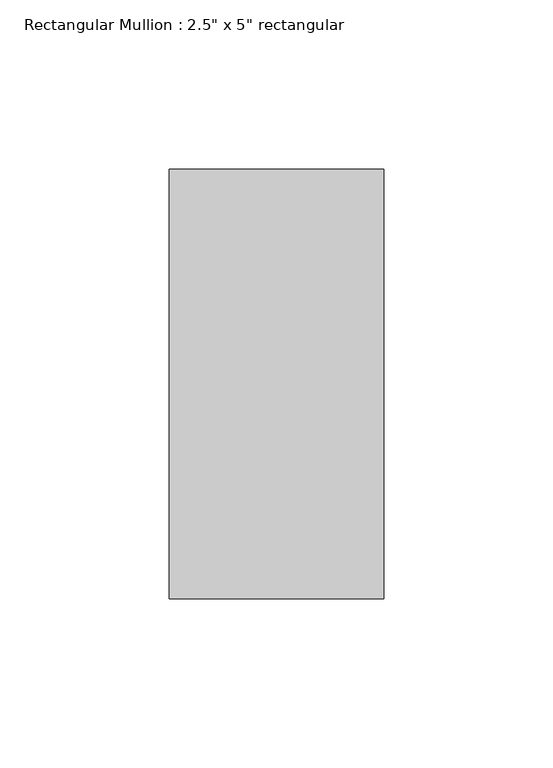
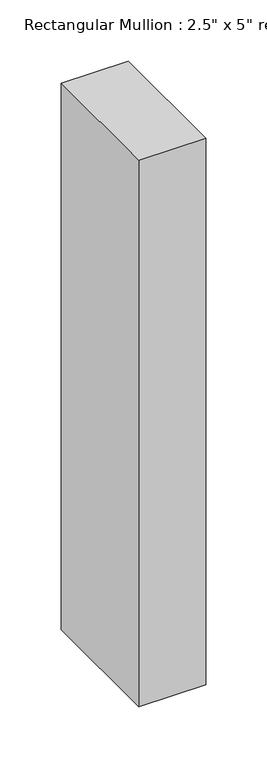
"""IFC4 building model written with IfcOpenShell, lengths in millimetres: member geometry."""

import ifcopenshell
import ifcopenshell.guid

model = None  # the IFC model being written
_history = None  # IfcOwnerHistory: only IFC2X3 demands one
_inside = {}  # id of a spatial element -> (the spatial element, [elements in it])
_under = {}  # id of a project, library or spatial element -> (it, [spatial elements below it])
_declared = {}  # id of a project -> (the project, [libraries it declares])
_typed = {}  # id of a type object -> (the type object, [elements of that type])
_made_of = {}  # id of a material, layer set ... -> (it, [elements and type objects made of it])


def new_model(schema):
    """Start an empty IFC model of exactly this schema.

    Asked for "IFC4X3", IfcOpenShell would pick the latest addendum, in which some entities
    have other attributes; the version numbers below select the first issue.
    IFC2X3 requires an IfcOwnerHistory on every rooted entity: one is made here for all.
    """
    global model, _history
    if schema == "IFC4X3":
        model = ifcopenshell.file(schema_version=(4, 3, 0, 0))
    else:
        model = ifcopenshell.file(schema=schema)
    _inside.clear()
    _under.clear()
    _declared.clear()
    _typed.clear()
    _made_of.clear()
    _history = None
    if model.schema == "IFC2X3":
        org = make("IfcOrganization", Name="unknown")
        user = make(
            "IfcPersonAndOrganization",
            ThePerson=make("IfcPerson", FamilyName="unknown"),
            TheOrganization=org,
        )
        app = make(
            "IfcApplication",
            ApplicationDeveloper=org,
            Version="unknown",
            ApplicationFullName="unknown",
            ApplicationIdentifier="unknown",
        )
        _history = make(
            "IfcOwnerHistory",
            OwningUser=user,
            OwningApplication=app,
            ChangeAction="ADDED",
            CreationDate=0,
        )
    return model


def make(cls, **values):
    """One entity of the class cls with the attributes given. An attribute that is None is left unset."""
    return model.create_entity(
        cls, **{name: value for name, value in values.items() if value is not None}
    )


def rooted(cls, **values):
    """An entity with a GlobalId (a new one), such as an element, a storey or a relation."""
    return make(cls, GlobalId=ifcopenshell.guid.new(), OwnerHistory=_history, **values)


def si_unit(unit_type, name, prefix=None):
    """IfcSIUnit, for example si_unit("LENGTHUNIT", "METRE", prefix="MILLI")."""
    return make("IfcSIUnit", UnitType=unit_type, Prefix=prefix, Name=name)


def assignment(units):
    """IfcUnitAssignment: the units of a project."""
    return None if units is None else make("IfcUnitAssignment", Units=units)


def point(xyz):
    """IfcCartesianPoint."""
    return None if xyz is None else make("IfcCartesianPoint", Coordinates=xyz)


def direction(xyz):
    """IfcDirection."""
    return None if xyz is None else make("IfcDirection", DirectionRatios=xyz)


def frame(location, z_axis=None, x_axis=None):
    """IfcAxis2Placement3D, a coordinate frame: its origin and axes. An axis left out is left unset."""
    return make(
        "IfcAxis2Placement3D",
        Location=point(location),
        Axis=direction(z_axis),
        RefDirection=direction(x_axis),
    )


def origin():
    """The frame at (0, 0, 0) with its axes left unset."""
    return frame((0.0, 0.0, 0.0))


def place(relative_to, where):
    """IfcLocalPlacement: puts the frame where relative to a parent placement (None: the world)."""
    return make(
        "IfcLocalPlacement", PlacementRelTo=relative_to, RelativePlacement=where
    )


def context(
    kind, dimensions, precision=None, world=None, true_north=None, identifier=None
):
    """IfcGeometricRepresentationContext, for example the 3D "Model" context."""
    return make(
        "IfcGeometricRepresentationContext",
        ContextIdentifier=identifier,
        ContextType=kind,
        CoordinateSpaceDimension=dimensions,
        Precision=precision,
        WorldCoordinateSystem=world,
        TrueNorth=true_north,
    )


def project(units=None, contexts=None):
    """IfcProject with its units and contexts."""
    return rooted(
        "IfcProject",
        Name="project",
        RepresentationContexts=contexts,
        UnitsInContext=assignment(units),
    )


def spatial(cls, under=None, at=None, **own):
    """A site, building, storey or space (cls), placed at a placement, below another one or the project."""
    s = rooted(cls, ObjectPlacement=at, **own)
    if under is not None:
        _under.setdefault(under.id(), (under, []))[1].append(s)
    return s


def polyline(points):
    """IfcPolyline through the points."""
    return make("IfcPolyline", Points=[point(p) for p in points])


def outline(outer, holes=None, kind="AREA"):
    """IfcArbitraryClosedProfileDef: a profile drawn as a closed curve; with holes, ...WithVoids."""
    if holes is None:
        return make("IfcArbitraryClosedProfileDef", ProfileType=kind, OuterCurve=outer)
    return make(
        "IfcArbitraryProfileDefWithVoids",
        ProfileType=kind,
        OuterCurve=outer,
        InnerCurves=holes,
    )


def extrude(swept, where, along, depth):
    """IfcExtrudedAreaSolid: the profile swept, set in the frame where, extruded along a direction by depth."""
    return make(
        "IfcExtrudedAreaSolid",
        SweptArea=swept,
        Position=where,
        ExtrudedDirection=direction(along),
        Depth=depth,
    )


def shape(context_of_items, identifier, shape_type, items):
    """IfcShapeRepresentation: the items that make up one representation, for example the "Body"."""
    return make(
        "IfcShapeRepresentation",
        ContextOfItems=context_of_items,
        RepresentationIdentifier=identifier,
        RepresentationType=shape_type,
        Items=items,
    )


def source(mapping_origin, context_of_items, identifier, shape_type, items):
    """IfcRepresentationMap: a shape defined once, which mapped items show again and again."""
    return make(
        "IfcRepresentationMap",
        MappingOrigin=mapping_origin,
        MappedRepresentation=shape(context_of_items, identifier, shape_type, items),
    )


def transform(
    local_origin,
    x_axis=None,
    y_axis=None,
    z_axis=None,
    scale=None,
    scale2=None,
    scale3=None,
    uniform=True,
):
    """IfcCartesianTransformationOperator3D, or its non-uniform kind. x_axis, y_axis, z_axis: its Axis1, 2, 3."""
    if uniform:
        return make(
            "IfcCartesianTransformationOperator3D",
            Axis1=direction(x_axis),
            Axis2=direction(y_axis),
            LocalOrigin=point(local_origin),
            Scale=scale,
            Axis3=direction(z_axis),
        )
    return make(
        "IfcCartesianTransformationOperator3DnonUniform",
        Axis1=direction(x_axis),
        Axis2=direction(y_axis),
        LocalOrigin=point(local_origin),
        Scale=scale,
        Axis3=direction(z_axis),
        Scale2=scale2,
        Scale3=scale3,
    )


def mapped(mapping_source, mapping_target):
    """IfcMappedItem: shows the shape of a source again, moved by a transform."""
    return make(
        "IfcMappedItem", MappingSource=mapping_source, MappingTarget=mapping_target
    )


def made_of(thing, what):
    """Note that an element or type object is made of a material, layer set ...; save() writes the relation."""
    if what is not None:
        _made_of.setdefault(what.id(), (what, []))[1].append(thing)
    return thing


def element(
    cls,
    number,
    at=None,
    inside=None,
    cuts=None,
    type_object=None,
    material=None,
    context=None,
    identifier="Body",
    shape_type=None,
    held_by="IfcProductDefinitionShape",
    body=None,
    shapes=None,
    **own,
):
    """One element of the class cls, such as IfcWall. Its Tag is "e" and its number.

    at: its placement. inside: the storey or other place that contains it. cuts: it is an
    opening in that element (IfcRelVoidsElement). A single representation is given by context,
    identifier, shape_type and body (its items); several are given by shapes. held_by: the class
    of the entity that holds the representations. save() writes the other relations.
    """
    e = rooted(cls, Tag="e%d" % number, ObjectPlacement=at, **own)
    if body is not None:
        shapes = [shape(context, identifier, shape_type, body)]
    if shapes is not None:
        e.Representation = make(held_by, Representations=shapes)
    if inside is not None:
        _inside.setdefault(inside.id(), (inside, []))[1].append(e)
    if cuts is not None:
        rooted(
            "IfcRelVoidsElement", RelatingBuildingElement=cuts, RelatedOpeningElement=e
        )
    if type_object is not None:
        _typed.setdefault(type_object.id(), (type_object, []))[1].append(e)
    return made_of(e, material)


def aggregate(whole, parts):
    """IfcRelAggregates: a whole, such as a stair, and the parts it consists of."""
    return rooted("IfcRelAggregates", RelatingObject=whole, RelatedObjects=parts)


def save(model, path):
    """Write the relations noted so far, then the file.

    IfcRelAggregates (storeys below a building ...), IfcRelContainedInSpatialStructure (elements
    in a storey), IfcRelDefinesByType, IfcRelAssociatesMaterial and IfcRelDeclares: one each for
    every whole, place, type object, material and project.
    """
    for whole, parts in _under.values():
        aggregate(whole, parts)
    for where, things in _inside.values():
        rooted(
            "IfcRelContainedInSpatialStructure",
            RelatedElements=things,
            RelatingStructure=where,
        )
    for kind, things in _typed.values():
        rooted("IfcRelDefinesByType", RelatedObjects=things, RelatingType=kind)
    for what, things in _made_of.values():
        rooted("IfcRelAssociatesMaterial", RelatedObjects=things, RelatingMaterial=what)
    for by, libraries in _declared.values():
        rooted("IfcRelDeclares", RelatingContext=by, RelatedDefinitions=libraries)
    model.write(path)


def member_0a1a1ade(model_context):
    return source(origin(), model_context, "Body", "SweptSolid", [
        extrude(outline(polyline([(31.75, 63.5), (31.75, -63.5), (-31.75, -63.5), (-31.75, 63.5), (31.75, 63.5)])), frame((0.0, 0.0, -546.1), z_axis=(0.0, 0.0, 1.0), x_axis=(1.0, 0.0, 0.0)), (0.0, 0.0, 1.0), 546.1),
    ])


if __name__ == "__main__":
    model = new_model("IFC4")
    model_context = context("Model", 3, world=origin())
    ifc_project = project(units=[si_unit("LENGTHUNIT", "METRE", prefix="MILLI")], contexts=[model_context])
    site = spatial("IfcSite", under=ifc_project)
    building = spatial("IfcBuilding", under=site)
    placement = place(None, origin())
    member_shape = member_0a1a1ade(model_context)
    element("IfcMember", 1, ObjectType="Rectangular Mullion : 2.5\" x 5\" rectangular", at=placement, inside=building, context=model_context, shape_type="MappedRepresentation", body=[
        mapped(member_shape, transform((0.0, 0.0, 0.0), x_axis=(1.0, 0.0, 0.0), y_axis=(0.0, 1.0, 0.0), z_axis=(0.0, 0.0, 1.0))),
    ])
    save(model, "model.ifc")
